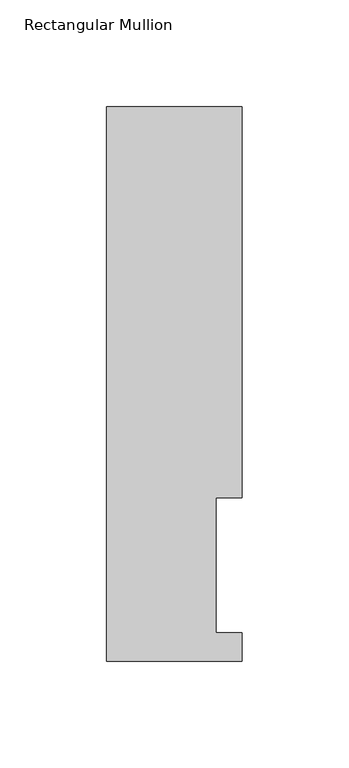
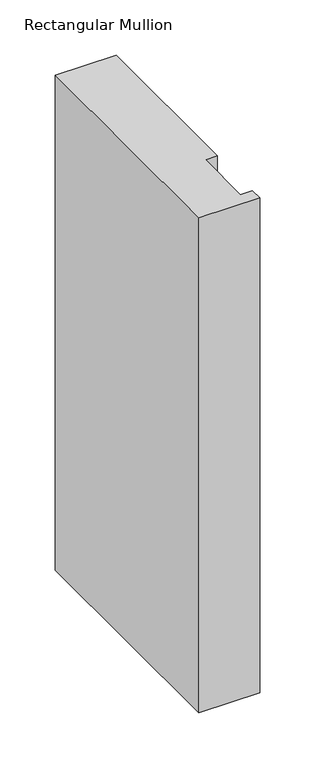
"""IFC4 building model written with IfcOpenShell, lengths in millimetres: member geometry, Rectangular Mullion."""

from ifc_helpers import new_model, si_unit, frame, origin, place, context, project, spatial, polyline, outline, extrude, source, transform, mapped, element, save


def rectangular_mullion_6a1e584c(model_context):
    return source(origin(), model_context, "Body", "SweptSolid", [
        extrude(outline(polyline([(-63.5, -0.0333811), (-63.5, 259.4591074), (0.0, 259.4591074), (0.0, 76.2992187), (-12.3418395, 76.2992187), (-12.3418395, 13.1492189), (0.0, 13.1492189), (0.0, -0.0333811), (-63.5, -0.0333811)])), frame((0.0, 0.0, -546.1), z_axis=(0.0, 0.0, 1.0), x_axis=(1.0, 0.0, 0.0)), (0.0, 0.0, 1.0), 546.1),
    ])


if __name__ == "__main__":
    model = new_model("IFC4")
    model_context = context("Model", 3, world=origin())
    ifc_project = project(units=[si_unit("LENGTHUNIT", "METRE", prefix="MILLI")], contexts=[model_context])
    site = spatial("IfcSite", under=ifc_project)
    building = spatial("IfcBuilding", under=site)
    placement = place(None, origin())
    rectangular_mullion_shape = rectangular_mullion_6a1e584c(model_context)
    element("IfcMember", 1, ObjectType="Rectangular Mullion", at=placement, inside=building, context=model_context, shape_type="MappedRepresentation", body=[
        mapped(rectangular_mullion_shape, transform((0.0, 0.0, 0.0), x_axis=(1.0, 0.0, 0.0), y_axis=(0.0, 1.0, 0.0), z_axis=(0.0, 0.0, 1.0))),
    ])
    save(model, "model.ifc")
